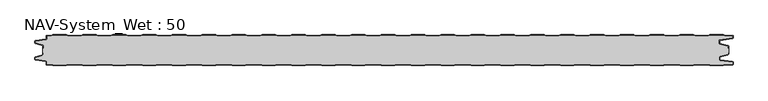
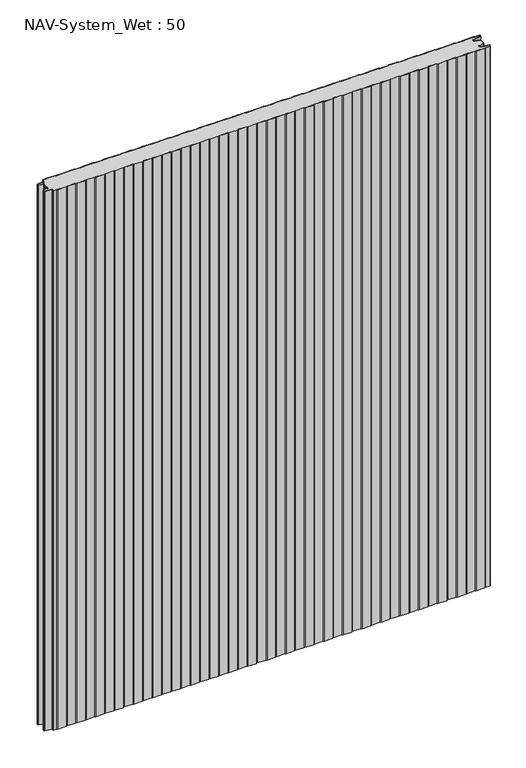
"""IFC4 building model written with IfcOpenShell, lengths in millimetres: plate geometry, NAV-System_Wet : 50."""

import ifcopenshell
import ifcopenshell.guid

model = None  # the IFC model being written
_history = None  # IfcOwnerHistory: only IFC2X3 demands one
_inside = {}  # id of a spatial element -> (the spatial element, [elements in it])
_under = {}  # id of a project, library or spatial element -> (it, [spatial elements below it])
_declared = {}  # id of a project -> (the project, [libraries it declares])
_typed = {}  # id of a type object -> (the type object, [elements of that type])
_made_of = {}  # id of a material, layer set ... -> (it, [elements and type objects made of it])


def new_model(schema):
    """Start an empty IFC model of exactly this schema.

    Asked for "IFC4X3", IfcOpenShell would pick the latest addendum, in which some entities
    have other attributes; the version numbers below select the first issue.
    IFC2X3 requires an IfcOwnerHistory on every rooted entity: one is made here for all.
    """
    global model, _history
    if schema == "IFC4X3":
        model = ifcopenshell.file(schema_version=(4, 3, 0, 0))
    else:
        model = ifcopenshell.file(schema=schema)
    _inside.clear()
    _under.clear()
    _declared.clear()
    _typed.clear()
    _made_of.clear()
    _history = None
    if model.schema == "IFC2X3":
        org = make("IfcOrganization", Name="unknown")
        user = make(
            "IfcPersonAndOrganization",
            ThePerson=make("IfcPerson", FamilyName="unknown"),
            TheOrganization=org,
        )
        app = make(
            "IfcApplication",
            ApplicationDeveloper=org,
            Version="unknown",
            ApplicationFullName="unknown",
            ApplicationIdentifier="unknown",
        )
        _history = make(
            "IfcOwnerHistory",
            OwningUser=user,
            OwningApplication=app,
            ChangeAction="ADDED",
            CreationDate=0,
        )
    return model


def make(cls, **values):
    """One entity of the class cls with the attributes given. An attribute that is None is left unset."""
    return model.create_entity(
        cls, **{name: value for name, value in values.items() if value is not None}
    )


def rooted(cls, **values):
    """An entity with a GlobalId (a new one), such as an element, a storey or a relation."""
    return make(cls, GlobalId=ifcopenshell.guid.new(), OwnerHistory=_history, **values)


def si_unit(unit_type, name, prefix=None):
    """IfcSIUnit, for example si_unit("LENGTHUNIT", "METRE", prefix="MILLI")."""
    return make("IfcSIUnit", UnitType=unit_type, Prefix=prefix, Name=name)


def assignment(units):
    """IfcUnitAssignment: the units of a project."""
    return None if units is None else make("IfcUnitAssignment", Units=units)


def point(xyz):
    """IfcCartesianPoint."""
    return None if xyz is None else make("IfcCartesianPoint", Coordinates=xyz)


def direction(xyz):
    """IfcDirection."""
    return None if xyz is None else make("IfcDirection", DirectionRatios=xyz)


def frame(location, z_axis=None, x_axis=None):
    """IfcAxis2Placement3D, a coordinate frame: its origin and axes. An axis left out is left unset."""
    return make(
        "IfcAxis2Placement3D",
        Location=point(location),
        Axis=direction(z_axis),
        RefDirection=direction(x_axis),
    )


def frame_2d(location, x_axis=None):
    """IfcAxis2Placement2D, a coordinate frame in the plane: its origin and x axis."""
    return make(
        "IfcAxis2Placement2D", Location=point(location), RefDirection=direction(x_axis)
    )


def origin():
    """The frame at (0, 0, 0) with its axes left unset."""
    return frame((0.0, 0.0, 0.0))


def origin_with_axes():
    """The frame at (0, 0, 0) with the z axis (0, 0, 1) and the x axis (1, 0, 0) written out."""
    return frame((0.0, 0.0, 0.0), z_axis=(0.0, 0.0, 1.0), x_axis=(1.0, 0.0, 0.0))


def place(relative_to, where):
    """IfcLocalPlacement: puts the frame where relative to a parent placement (None: the world)."""
    return make(
        "IfcLocalPlacement", PlacementRelTo=relative_to, RelativePlacement=where
    )


def context(
    kind, dimensions, precision=None, world=None, true_north=None, identifier=None
):
    """IfcGeometricRepresentationContext, for example the 3D "Model" context."""
    return make(
        "IfcGeometricRepresentationContext",
        ContextIdentifier=identifier,
        ContextType=kind,
        CoordinateSpaceDimension=dimensions,
        Precision=precision,
        WorldCoordinateSystem=world,
        TrueNorth=true_north,
    )


def project(units=None, contexts=None):
    """IfcProject with its units and contexts."""
    return rooted(
        "IfcProject",
        Name="project",
        RepresentationContexts=contexts,
        UnitsInContext=assignment(units),
    )


def spatial(cls, under=None, at=None, **own):
    """A site, building, storey or space (cls), placed at a placement, below another one or the project."""
    s = rooted(cls, ObjectPlacement=at, **own)
    if under is not None:
        _under.setdefault(under.id(), (under, []))[1].append(s)
    return s


def polyline(points):
    """IfcPolyline through the points."""
    return make("IfcPolyline", Points=[point(p) for p in points])


def circle_curve(where, radius):
    """IfcCircle in the frame where."""
    return make("IfcCircle", Position=where, Radius=radius)


def trimmed(basis, trim1, trim2, sense, master):
    """IfcTrimmedCurve: the piece of a basis curve between two trims."""
    return make(
        "IfcTrimmedCurve",
        BasisCurve=basis,
        Trim1=trim1,
        Trim2=trim2,
        SenseAgreement=sense,
        MasterRepresentation=master,
    )


def segment(curve, same_sense, transition):
    """IfcCompositeCurveSegment."""
    return make(
        "IfcCompositeCurveSegment",
        Transition=transition,
        SameSense=same_sense,
        ParentCurve=curve,
    )


def composite_curve(segments, self_intersect=None):
    """IfcCompositeCurve: segments joined end to end."""
    return make("IfcCompositeCurve", Segments=segments, SelfIntersect=self_intersect)


def outline(outer, holes=None, kind="AREA"):
    """IfcArbitraryClosedProfileDef: a profile drawn as a closed curve; with holes, ...WithVoids."""
    if holes is None:
        return make("IfcArbitraryClosedProfileDef", ProfileType=kind, OuterCurve=outer)
    return make(
        "IfcArbitraryProfileDefWithVoids",
        ProfileType=kind,
        OuterCurve=outer,
        InnerCurves=holes,
    )


def extrude(swept, where, along, depth):
    """IfcExtrudedAreaSolid: the profile swept, set in the frame where, extruded along a direction by depth."""
    return make(
        "IfcExtrudedAreaSolid",
        SweptArea=swept,
        Position=where,
        ExtrudedDirection=direction(along),
        Depth=depth,
    )


def shape(context_of_items, identifier, shape_type, items):
    """IfcShapeRepresentation: the items that make up one representation, for example the "Body"."""
    return make(
        "IfcShapeRepresentation",
        ContextOfItems=context_of_items,
        RepresentationIdentifier=identifier,
        RepresentationType=shape_type,
        Items=items,
    )


def source(mapping_origin, context_of_items, identifier, shape_type, items):
    """IfcRepresentationMap: a shape defined once, which mapped items show again and again."""
    return make(
        "IfcRepresentationMap",
        MappingOrigin=mapping_origin,
        MappedRepresentation=shape(context_of_items, identifier, shape_type, items),
    )


def transform(
    local_origin,
    x_axis=None,
    y_axis=None,
    z_axis=None,
    scale=None,
    scale2=None,
    scale3=None,
    uniform=True,
):
    """IfcCartesianTransformationOperator3D, or its non-uniform kind. x_axis, y_axis, z_axis: its Axis1, 2, 3."""
    if uniform:
        return make(
            "IfcCartesianTransformationOperator3D",
            Axis1=direction(x_axis),
            Axis2=direction(y_axis),
            LocalOrigin=point(local_origin),
            Scale=scale,
            Axis3=direction(z_axis),
        )
    return make(
        "IfcCartesianTransformationOperator3DnonUniform",
        Axis1=direction(x_axis),
        Axis2=direction(y_axis),
        LocalOrigin=point(local_origin),
        Scale=scale,
        Axis3=direction(z_axis),
        Scale2=scale2,
        Scale3=scale3,
    )


def mapped(mapping_source, mapping_target):
    """IfcMappedItem: shows the shape of a source again, moved by a transform."""
    return make(
        "IfcMappedItem", MappingSource=mapping_source, MappingTarget=mapping_target
    )


def made_of(thing, what):
    """Note that an element or type object is made of a material, layer set ...; save() writes the relation."""
    if what is not None:
        _made_of.setdefault(what.id(), (what, []))[1].append(thing)
    return thing


def element(
    cls,
    number,
    at=None,
    inside=None,
    cuts=None,
    type_object=None,
    material=None,
    context=None,
    identifier="Body",
    shape_type=None,
    held_by="IfcProductDefinitionShape",
    body=None,
    shapes=None,
    **own,
):
    """One element of the class cls, such as IfcWall. Its Tag is "e" and its number.

    at: its placement. inside: the storey or other place that contains it. cuts: it is an
    opening in that element (IfcRelVoidsElement). A single representation is given by context,
    identifier, shape_type and body (its items); several are given by shapes. held_by: the class
    of the entity that holds the representations. save() writes the other relations.
    """
    e = rooted(cls, Tag="e%d" % number, ObjectPlacement=at, **own)
    if body is not None:
        shapes = [shape(context, identifier, shape_type, body)]
    if shapes is not None:
        e.Representation = make(held_by, Representations=shapes)
    if inside is not None:
        _inside.setdefault(inside.id(), (inside, []))[1].append(e)
    if cuts is not None:
        rooted(
            "IfcRelVoidsElement", RelatingBuildingElement=cuts, RelatedOpeningElement=e
        )
    if type_object is not None:
        _typed.setdefault(type_object.id(), (type_object, []))[1].append(e)
    return made_of(e, material)


def aggregate(whole, parts):
    """IfcRelAggregates: a whole, such as a stair, and the parts it consists of."""
    return rooted("IfcRelAggregates", RelatingObject=whole, RelatedObjects=parts)


def save(model, path):
    """Write the relations noted so far, then the file.

    IfcRelAggregates (storeys below a building ...), IfcRelContainedInSpatialStructure (elements
    in a storey), IfcRelDefinesByType, IfcRelAssociatesMaterial and IfcRelDeclares: one each for
    every whole, place, type object, material and project.
    """
    for whole, parts in _under.values():
        aggregate(whole, parts)
    for where, things in _inside.values():
        rooted(
            "IfcRelContainedInSpatialStructure",
            RelatedElements=things,
            RelatingStructure=where,
        )
    for kind, things in _typed.values():
        rooted("IfcRelDefinesByType", RelatedObjects=things, RelatingType=kind)
    for what, things in _made_of.values():
        rooted("IfcRelAssociatesMaterial", RelatedObjects=things, RelatingMaterial=what)
    for by, libraries in _declared.values():
        rooted("IfcRelDeclares", RelatingContext=by, RelatedDefinitions=libraries)
    model.write(path)


def nav_system_wet_50_712da0a1(model_context):
    return source(origin(), model_context, "Body", "SweptSolid", [
        extrude(outline(composite_curve([segment(polyline([(430.3684327, -0.8), (427.3684327, 0.2), (405.3684327, 0.2), (402.3684327, -0.8), (380.3684327, -0.8), (377.3684327, 0.2), (355.3684327, 0.2), (352.3684327, -0.8), (330.3684327, -0.8), (327.3684327, 0.2), (305.3684327, 0.2), (302.3684327, -0.8), (280.3684327, -0.8), (277.3684327, 0.2), (255.3684327, 0.2), (252.3684327, -0.8), (230.3684327, -0.8), (227.3684327, 0.2), (205.3684327, 0.2), (202.3684327, -0.8), (180.3684327, -0.8), (177.3684327, 0.2), (155.3684327, 0.2), (152.3684327, -0.8), (130.3684327, -0.8), (127.3684327, 0.2), (105.3684327, 0.2), (102.3684327, -0.8), (80.3684327, -0.8), (77.3684327, 0.2), (55.3684327, 0.2), (52.3684327, -0.8), (30.3684327, -0.8), (27.3684327, 0.2), (5.3684327, 0.2), (2.3684327, -0.8), (-19.6315673, -0.8), (-22.6315673, 0.2), (-44.6315673, 0.2), (-47.6315673, -0.8), (-69.6315673, -0.8), (-72.6315673, 0.2), (-94.6315673, 0.2), (-97.6315673, -0.8), (-119.6315673, -0.8), (-122.6315673, 0.2), (-144.6315673, 0.2), (-147.6315673, -0.8), (-169.6315673, -0.8), (-172.6315673, 0.2), (-194.6315673, 0.2), (-197.6315673, -0.8), (-219.6315673, -0.8), (-222.6315673, 0.2), (-244.6315673, 0.2), (-247.6315673, -0.8), (-269.6315673, -0.8), (-272.6315673, 0.2), (-294.6315673, 0.2), (-297.6315673, -0.8), (-319.6315673, -0.8), (-322.6315673, 0.2), (-344.6315673, 0.2), (-347.6315673, -0.8), (-369.6315673, -0.8), (-372.6315673, 0.2), (-394.6315673, 0.2), (-397.6315673, -0.8), (-419.6315673, -0.8), (-422.6315673, 0.2), (-444.6315673, 0.2), (-447.6315673, -0.8), (-469.6315673, -0.8), (-472.6315673, 0.2), (-494.6315673, 0.2), (-497.6315673, -0.8), (-519.6315673, -0.8), (-522.6315673, 0.2), (-544.6315673, 0.2), (-547.6315673, -0.8), (-554.7, -0.8)]), True, "CONTINUOUS"), segment(trimmed(circle_curve(frame_2d((-554.7, -1.3)), 0.5), [point((-554.7, -0.8))], [point((-555.2, -1.3))], True, "CARTESIAN"), True, "CONTINUOUS"), segment(polyline([(-555.2, -1.3), (-555.2, -5.3964683)]), True, "CONTINUOUS"), segment(trimmed(circle_curve(frame_2d((-556.7, -5.3964683)), 1.5), [point((-555.2, -5.3964683))], [point((-556.4911207, -6.8818536))], False, "CARTESIAN"), True, "CONTINUOUS"), segment(polyline([(-556.4911207, -6.8818536), (-573.4352183, -9.2645825)]), True, "CONTINUOUS"), segment(trimmed(circle_curve(frame_2d((-573.3114909, -10.1444347)), 0.8885091), [point((-573.4352183, -9.2645825))], [point((-574.2, -10.1444347))], True, "CARTESIAN"), True, "CONTINUOUS"), segment(polyline([(-574.2, -10.1444347), (-574.2, -12.46995)]), True, "CONTINUOUS"), segment(trimmed(circle_curve(frame_2d((-573.6, -12.46995)), 0.6), [point((-574.2, -12.46995))], [point((-573.7552914, -13.0495055))], True, "CARTESIAN"), True, "CONTINUOUS"), segment(polyline([(-573.7552914, -13.0495055), (-562.3785632, -16.0978907)]), True, "CONTINUOUS"), segment(trimmed(circle_curve(frame_2d((-562.7667917, -17.5467794)), 1.5), [point((-562.3785632, -16.0978907))], [point((-561.2667917, -17.5467794))], False, "CARTESIAN"), True, "CONTINUOUS"), segment(polyline([(-561.2667917, -17.5467794), (-561.2667917, -21.0096505), (-562.0667917, -21.0096505), (-562.0667917, -17.5467794)]), True, "CONTINUOUS"), segment(trimmed(circle_curve(frame_2d((-562.7667917, -17.5467794)), 0.7), [point((-562.0667917, -17.5467794))], [point((-562.5856184, -16.8706313))], True, "CARTESIAN"), True, "CONTINUOUS"), segment(polyline([(-562.5856184, -16.8706313), (-574.0364648, -13.8023863)]), True, "CONTINUOUS"), segment(trimmed(circle_curve(frame_2d((-573.7, -12.5466827)), 1.3), [point((-574.0364648, -13.8023863))], [point((-575.0, -12.5466827))], False, "CARTESIAN"), True, "CONTINUOUS"), segment(polyline([(-575.0, -12.5466827), (-575.0, -9.8067363)]), True, "CONTINUOUS"), segment(trimmed(circle_curve(frame_2d((-573.7, -9.8067363)), 1.3), [point((-575.0, -9.8067363))], [point((-573.8810287, -8.5194024))], False, "CARTESIAN"), True, "CONTINUOUS"), segment(polyline([(-573.8810287, -8.5194024), (-556.602523, -6.0896481)]), True, "CONTINUOUS"), segment(trimmed(circle_curve(frame_2d((-556.7, -5.3964683)), 0.7), [point((-556.602523, -6.0896481))], [point((-556.0, -5.3964683))], True, "CARTESIAN"), True, "CONTINUOUS"), segment(polyline([(-556.0, -5.3964683), (-556.0, -1.3)]), True, "CONTINUOUS"), segment(trimmed(circle_curve(frame_2d((-554.7, -1.3)), 1.3), [point((-556.0, -1.3))], [point((-554.7, 0.0))], False, "CARTESIAN"), True, "CONTINUOUS"), segment(polyline([(-554.7, 0.0), (-547.7613895, 0.0), (-544.7613895, 1.0), (-522.5017452, 1.0), (-519.5017452, 0.0), (-497.7613895, 0.0), (-494.7613895, 1.0), (-472.5017452, 1.0), (-469.5017452, 0.0), (-447.7613895, 0.0), (-444.7613895, 1.0), (-422.5017452, 1.0), (-419.5017452, 0.0), (-397.7613895, 0.0), (-394.7613895, 1.0), (-372.5017452, 1.0), (-369.5017452, 0.0), (-347.7613895, 0.0), (-344.7613895, 1.0), (-322.5017452, 1.0), (-319.5017452, 0.0), (-297.7613895, 0.0), (-294.7613895, 1.0), (-272.5017452, 1.0), (-269.5017452, 0.0), (-247.7613895, 0.0), (-244.7613895, 1.0), (-222.5017452, 1.0), (-219.5017452, 0.0), (-197.7613895, 0.0), (-194.7613895, 1.0), (-172.5017452, 1.0), (-169.5017452, 0.0), (-147.7613895, 0.0), (-144.7613895, 1.0), (-122.5017452, 1.0), (-119.5017452, 0.0), (-97.7613895, 0.0), (-94.7613895, 1.0), (-72.5017452, 1.0), (-69.5017452, 0.0), (-47.7613895, 0.0), (-44.7613895, 1.0), (-22.5017452, 1.0), (-19.5017452, 0.0), (2.2386105, 0.0), (5.2386105, 1.0), (27.4982548, 1.0), (30.4982548, 0.0), (52.2386105, 0.0), (55.2386105, 1.0), (77.4982548, 1.0), (80.4982548, 0.0), (102.2386105, 0.0), (105.2386105, 1.0), (127.4982548, 1.0), (130.4982548, 0.0), (152.2386105, 0.0), (155.2386105, 1.0), (177.4982548, 1.0), (180.4982548, 0.0), (202.2386105, 0.0), (205.2386105, 1.0), (227.4982548, 1.0), (230.4982548, 0.0), (252.2386105, 0.0), (255.2386105, 1.0), (277.4982548, 1.0), (280.4982548, 0.0), (302.2386105, 0.0), (305.2386105, 1.0), (327.4982548, 1.0), (330.4982548, 0.0), (352.2386105, 0.0), (355.2386105, 1.0), (377.4982548, 1.0), (380.4982548, 0.0), (402.2386105, 0.0), (405.2386105, 1.0), (427.4982548, 1.0), (430.4982548, 0.0), (452.2386105, 0.0), (455.2386105, 1.0), (477.4982548, 1.0), (480.4982548, 0.0), (502.2386105, 0.0), (505.2386105, 1.0), (527.4982548, 1.0), (530.4982548, 0.0), (552.2386105, 0.0), (555.2386105, 1.0), (577.4982548, 1.0), (580.4982548, 0.0), (592.7, 0.0)]), True, "CONTINUOUS"), segment(trimmed(circle_curve(frame_2d((592.7, -1.3)), 1.3), [point((592.7, 0.0))], [point((594.0, -1.3))], False, "CARTESIAN"), True, "CONTINUOUS"), segment(polyline([(594.0, -1.3), (594.0, -4.3700191)]), True, "CONTINUOUS"), segment(trimmed(circle_curve(frame_2d((592.7, -4.3700191)), 1.3), [point((594.0, -4.3700191))], [point((592.8810287, -5.657353))], False, "CARTESIAN"), True, "CONTINUOUS"), segment(polyline([(592.8810287, -5.657353), (572.102523, -8.5792877)]), True, "CONTINUOUS"), segment(trimmed(circle_curve(frame_2d((572.2, -9.2724675)), 0.7), [point((572.102523, -8.5792877))], [point((571.5, -9.2724675))], True, "CARTESIAN"), True, "CONTINUOUS"), segment(polyline([(571.5, -9.2724675), (571.5, -13.0812756)]), True, "CONTINUOUS"), segment(trimmed(circle_curve(frame_2d((572.2, -13.0812756)), 0.7), [point((571.5, -13.0812756))], [point((572.0188267, -13.7574237))], True, "CARTESIAN"), True, "CONTINUOUS"), segment(polyline([(572.0188267, -13.7574237), (585.4205101, -17.3483939)]), True, "CONTINUOUS"), segment(trimmed(circle_curve(frame_2d((585.0840453, -18.6040975)), 1.3), [point((585.4205101, -17.3483939))], [point((586.3840453, -18.6040975))], False, "CARTESIAN"), True, "CONTINUOUS"), segment(polyline([(586.3840453, -18.6040975), (586.3840453, -21.0096505), (585.5840453, -21.0096505), (585.5840453, -18.6808302)]), True, "CONTINUOUS"), segment(trimmed(circle_curve(frame_2d((584.9840453, -18.6808302)), 0.6), [point((585.5840453, -18.6808302))], [point((585.1393367, -18.1012747))], True, "CARTESIAN"), True, "CONTINUOUS"), segment(polyline([(585.1393367, -18.1012747), (571.8117714, -14.5301644)]), True, "CONTINUOUS"), segment(trimmed(circle_curve(frame_2d((572.2, -13.0812756)), 1.5), [point((571.8117714, -14.5301644))], [point((570.7, -13.0812756))], False, "CARTESIAN"), True, "CONTINUOUS"), segment(polyline([(570.7, -13.0812756), (570.7, -9.2724675)]), True, "CONTINUOUS"), segment(trimmed(circle_curve(frame_2d((572.2, -9.2724675)), 1.5), [point((570.7, -9.2724675))], [point((571.9911207, -7.7870822))], False, "CARTESIAN"), True, "CONTINUOUS"), segment(polyline([(571.9911207, -7.7870822), (592.6835517, -4.8772516)]), True, "CONTINUOUS"), segment(trimmed(circle_curve(frame_2d((592.6, -4.2830975)), 0.6), [point((592.6835517, -4.8772516))], [point((593.2, -4.2830975))], True, "CARTESIAN"), True, "CONTINUOUS"), segment(polyline([(593.2, -4.2830975), (593.2, -1.3)]), True, "CONTINUOUS"), segment(trimmed(circle_curve(frame_2d((592.7, -1.3)), 0.5), [point((593.2, -1.3))], [point((592.7, -0.8))], True, "CARTESIAN"), True, "CONTINUOUS"), segment(polyline([(592.7, -0.8), (580.3684327, -0.8), (577.3684327, 0.2), (555.3684327, 0.2), (552.3684327, -0.8), (530.3684327, -0.8), (527.3684327, 0.2), (505.3684327, 0.2), (502.3684327, -0.8), (480.3684327, -0.8), (477.3684327, 0.2), (455.3684327, 0.2), (452.3684327, -0.8), (430.3684327, -0.8)]), True, "CONTINUOUS")], self_intersect=False)), origin_with_axes(), (0.0, 0.0, 1.0), 1500.0),
        extrude(outline(composite_curve([segment(polyline([(430.3684327, -0.8), (452.3684327, -0.8), (455.3684327, 0.2), (477.3684327, 0.2), (480.3684327, -0.8), (502.3684327, -0.8), (505.3684327, 0.2), (527.3684327, 0.2), (530.3684327, -0.8), (552.3684327, -0.8), (555.3684327, 0.2), (577.3684327, 0.2), (580.3684327, -0.8), (592.7, -0.8)]), True, "CONTINUOUS"), segment(trimmed(circle_curve(frame_2d((592.7, -1.3)), 0.5), [point((592.7, -0.8))], [point((593.2, -1.3))], False, "CARTESIAN"), True, "CONTINUOUS"), segment(polyline([(593.2, -1.3), (593.2, -4.2830975)]), True, "CONTINUOUS"), segment(trimmed(circle_curve(frame_2d((592.6, -4.2830975)), 0.6), [point((593.2, -4.2830975))], [point((592.6835517, -4.8772516))], False, "CARTESIAN"), True, "CONTINUOUS"), segment(polyline([(592.6835517, -4.8772516), (571.9911207, -7.7870822)]), True, "CONTINUOUS"), segment(trimmed(circle_curve(frame_2d((572.2, -9.2724675)), 1.5), [point((571.9911207, -7.7870822))], [point((570.7, -9.2724675))], True, "CARTESIAN"), True, "CONTINUOUS"), segment(polyline([(570.7, -9.2724675), (570.7, -13.0812756)]), True, "CONTINUOUS"), segment(trimmed(circle_curve(frame_2d((572.2, -13.0812756)), 1.5), [point((570.7, -13.0812756))], [point((571.8117714, -14.5301644))], True, "CARTESIAN"), True, "CONTINUOUS"), segment(polyline([(571.8117714, -14.5301644), (585.1393367, -18.1012747)]), True, "CONTINUOUS"), segment(trimmed(circle_curve(frame_2d((584.9840453, -18.6808302)), 0.6), [point((585.1393367, -18.1012747))], [point((585.5840453, -18.6808302))], False, "CARTESIAN"), True, "CONTINUOUS"), segment(polyline([(585.5840453, -18.6808302), (585.5840453, -21.0096505), (586.3840453, -21.0096505), (586.3840453, -28.9903495), (585.5840453, -28.9903495), (585.5840453, -31.3191698)]), True, "CONTINUOUS"), segment(trimmed(circle_curve(frame_2d((584.9840453, -31.3191698)), 0.6), [point((585.5840453, -31.3191698))], [point((585.1393367, -31.8987253))], False, "CARTESIAN"), True, "CONTINUOUS"), segment(polyline([(585.1393367, -31.8987253), (571.8117714, -35.4698356)]), True, "CONTINUOUS"), segment(trimmed(circle_curve(frame_2d((572.2, -36.9187244)), 1.5), [point((571.8117714, -35.4698356))], [point((570.7, -36.9187244))], True, "CARTESIAN"), True, "CONTINUOUS"), segment(polyline([(570.7, -36.9187244), (570.7, -40.7275325)]), True, "CONTINUOUS"), segment(trimmed(circle_curve(frame_2d((572.2, -40.7275325)), 1.5), [point((570.7, -40.7275325))], [point((571.9911207, -42.2129178))], True, "CARTESIAN"), True, "CONTINUOUS"), segment(polyline([(571.9911207, -42.2129178), (592.6835517, -45.1227484)]), True, "CONTINUOUS"), segment(trimmed(circle_curve(frame_2d((592.6, -45.7169025)), 0.6), [point((592.6835517, -45.1227484))], [point((593.2, -45.7169025))], False, "CARTESIAN"), True, "CONTINUOUS"), segment(polyline([(593.2, -45.7169025), (593.2, -48.7)]), True, "CONTINUOUS"), segment(trimmed(circle_curve(frame_2d((592.7, -48.7)), 0.5), [point((593.2, -48.7))], [point((592.7, -49.2))], False, "CARTESIAN"), True, "CONTINUOUS"), segment(polyline([(592.7, -49.2), (580.3684327, -49.2), (577.3684327, -50.2), (555.3684327, -50.2), (552.3684327, -49.2), (530.3684327, -49.2), (527.3684327, -50.2), (505.3684327, -50.2), (502.3684327, -49.2), (480.3684327, -49.2), (477.3684327, -50.2), (455.3684327, -50.2), (452.3684327, -49.2), (430.3684327, -49.2), (427.3684327, -50.2), (405.3684327, -50.2), (402.3684327, -49.2), (380.3684327, -49.2), (377.3684327, -50.2), (355.3684327, -50.2), (352.3684327, -49.2), (330.3684327, -49.2), (327.3684327, -50.2), (305.3684327, -50.2), (302.3684327, -49.2), (280.3684327, -49.2), (277.3684327, -50.2), (255.3684327, -50.2), (252.3684327, -49.2), (230.3684327, -49.2), (227.3684327, -50.2), (205.3684327, -50.2), (202.3684327, -49.2), (180.3684327, -49.2), (177.3684327, -50.2), (155.3684327, -50.2), (152.3684327, -49.2), (130.3684327, -49.2), (127.3684327, -50.2), (105.3684327, -50.2), (102.3684327, -49.2), (80.3684327, -49.2), (77.3684327, -50.2), (55.3684327, -50.2), (52.3684327, -49.2), (30.3684327, -49.2), (27.3684327, -50.2), (5.3684327, -50.2), (2.3684327, -49.2), (-19.6315673, -49.2), (-22.6315673, -50.2), (-44.6315673, -50.2), (-47.6315673, -49.2), (-69.6315673, -49.2), (-72.6315673, -50.2), (-94.6315673, -50.2), (-97.6315673, -49.2), (-119.6315673, -49.2), (-122.6315673, -50.2), (-144.6315673, -50.2), (-147.6315673, -49.2), (-169.6315673, -49.2), (-172.6315673, -50.2), (-194.6315673, -50.2), (-197.6315673, -49.2), (-219.6315673, -49.2), (-222.6315673, -50.2), (-244.6315673, -50.2), (-247.6315673, -49.2), (-269.6315673, -49.2), (-272.6315673, -50.2), (-294.6315673, -50.2), (-297.6315673, -49.2), (-319.6315673, -49.2), (-322.6315673, -50.2), (-344.6315673, -50.2), (-347.6315673, -49.2), (-369.6315673, -49.2), (-372.6315673, -50.2), (-394.6315673, -50.2), (-397.6315673, -49.2), (-419.6315673, -49.2), (-422.6315673, -50.2), (-444.6315673, -50.2), (-447.6315673, -49.2), (-469.6315673, -49.2), (-472.6315673, -50.2), (-494.6315673, -50.2), (-497.6315673, -49.2), (-519.6315673, -49.2), (-522.6315673, -50.2), (-544.6315673, -50.2), (-547.6315673, -49.2), (-554.7, -49.2)]), True, "CONTINUOUS"), segment(trimmed(circle_curve(frame_2d((-554.7, -48.7)), 0.5), [point((-554.7, -49.2))], [point((-555.2, -48.7))], False, "CARTESIAN"), True, "CONTINUOUS"), segment(polyline([(-555.2, -48.7), (-555.2, -44.6035317)]), True, "CONTINUOUS"), segment(trimmed(circle_curve(frame_2d((-556.7, -44.6035317)), 1.5), [point((-555.2, -44.6035317))], [point((-556.4911207, -43.1181464))], True, "CARTESIAN"), True, "CONTINUOUS"), segment(polyline([(-556.4911207, -43.1181464), (-573.4352183, -40.7354175)]), True, "CONTINUOUS"), segment(trimmed(circle_curve(frame_2d((-573.3114909, -39.8555653)), 0.8885091), [point((-573.4352183, -40.7354175))], [point((-574.2, -39.8555653))], False, "CARTESIAN"), True, "CONTINUOUS"), segment(polyline([(-574.2, -39.8555653), (-574.2, -37.53005)]), True, "CONTINUOUS"), segment(trimmed(circle_curve(frame_2d((-573.6, -37.53005)), 0.6), [point((-574.2, -37.53005))], [point((-573.7552914, -36.9504945))], False, "CARTESIAN"), True, "CONTINUOUS"), segment(polyline([(-573.7552914, -36.9504945), (-562.3785632, -33.9021093)]), True, "CONTINUOUS"), segment(trimmed(circle_curve(frame_2d((-562.7667917, -32.4532206)), 1.5), [point((-562.3785632, -33.9021093))], [point((-561.2667917, -32.4532206))], True, "CARTESIAN"), True, "CONTINUOUS"), segment(polyline([(-561.2667917, -32.4532206), (-561.2667917, -28.9903495), (-562.0667917, -28.9903495), (-562.0667917, -21.0096505), (-561.2667917, -21.0096505), (-561.2667917, -17.5467794)]), True, "CONTINUOUS"), segment(trimmed(circle_curve(frame_2d((-562.7667917, -17.5467794)), 1.5), [point((-561.2667917, -17.5467794))], [point((-562.3785632, -16.0978907))], True, "CARTESIAN"), True, "CONTINUOUS"), segment(polyline([(-562.3785632, -16.0978907), (-573.7552914, -13.0495055)]), True, "CONTINUOUS"), segment(trimmed(circle_curve(frame_2d((-573.6, -12.46995)), 0.6), [point((-573.7552914, -13.0495055))], [point((-574.2, -12.46995))], False, "CARTESIAN"), True, "CONTINUOUS"), segment(polyline([(-574.2, -12.46995), (-574.2, -10.1444347)]), True, "CONTINUOUS"), segment(trimmed(circle_curve(frame_2d((-573.3114909, -10.1444347)), 0.8885091), [point((-574.2, -10.1444347))], [point((-573.4352183, -9.2645825))], False, "CARTESIAN"), True, "CONTINUOUS"), segment(polyline([(-573.4352183, -9.2645825), (-556.4911207, -6.8818536)]), True, "CONTINUOUS"), segment(trimmed(circle_curve(frame_2d((-556.7, -5.3964683)), 1.5), [point((-556.4911207, -6.8818536))], [point((-555.2, -5.3964683))], True, "CARTESIAN"), True, "CONTINUOUS"), segment(polyline([(-555.2, -5.3964683), (-555.2, -1.3)]), True, "CONTINUOUS"), segment(trimmed(circle_curve(frame_2d((-554.7, -1.3)), 0.5), [point((-555.2, -1.3))], [point((-554.7, -0.8))], False, "CARTESIAN"), True, "CONTINUOUS"), segment(polyline([(-554.7, -0.8), (-547.6315673, -0.8), (-544.6315673, 0.2), (-522.6315673, 0.2), (-519.6315673, -0.8), (-497.6315673, -0.8), (-494.6315673, 0.2), (-472.6315673, 0.2), (-469.6315673, -0.8), (-447.6315673, -0.8), (-444.6315673, 0.2), (-422.6315673, 0.2), (-419.6315673, -0.8), (-397.6315673, -0.8), (-394.6315673, 0.2), (-372.6315673, 0.2), (-369.6315673, -0.8), (-347.6315673, -0.8), (-344.6315673, 0.2), (-322.6315673, 0.2), (-319.6315673, -0.8), (-297.6315673, -0.8), (-294.6315673, 0.2), (-272.6315673, 0.2), (-269.6315673, -0.8), (-247.6315673, -0.8), (-244.6315673, 0.2), (-222.6315673, 0.2), (-219.6315673, -0.8), (-197.6315673, -0.8), (-194.6315673, 0.2), (-172.6315673, 0.2), (-169.6315673, -0.8), (-147.6315673, -0.8), (-144.6315673, 0.2), (-122.6315673, 0.2), (-119.6315673, -0.8), (-97.6315673, -0.8), (-94.6315673, 0.2), (-72.6315673, 0.2), (-69.6315673, -0.8), (-47.6315673, -0.8), (-44.6315673, 0.2), (-22.6315673, 0.2), (-19.6315673, -0.8), (2.3684327, -0.8), (5.3684327, 0.2), (27.3684327, 0.2), (30.3684327, -0.8), (52.3684327, -0.8), (55.3684327, 0.2), (77.3684327, 0.2), (80.3684327, -0.8), (102.3684327, -0.8), (105.3684327, 0.2), (127.3684327, 0.2), (130.3684327, -0.8), (152.3684327, -0.8), (155.3684327, 0.2), (177.3684327, 0.2), (180.3684327, -0.8), (202.3684327, -0.8), (205.3684327, 0.2), (227.3684327, 0.2), (230.3684327, -0.8), (252.3684327, -0.8), (255.3684327, 0.2), (277.3684327, 0.2), (280.3684327, -0.8), (302.3684327, -0.8), (305.3684327, 0.2), (327.3684327, 0.2), (330.3684327, -0.8), (352.3684327, -0.8), (355.3684327, 0.2), (377.3684327, 0.2), (380.3684327, -0.8), (402.3684327, -0.8), (405.3684327, 0.2), (427.3684327, 0.2), (430.3684327, -0.8)]), True, "CONTINUOUS")], self_intersect=False)), origin_with_axes(), (0.0, 0.0, 1.0), 1500.0),
        extrude(outline(composite_curve([segment(polyline([(430.3684327, -49.2), (452.3684327, -49.2), (455.3684327, -50.2), (477.3684327, -50.2), (480.3684327, -49.2), (502.3684327, -49.2), (505.3684327, -50.2), (527.3684327, -50.2), (530.3684327, -49.2), (552.3684327, -49.2), (555.3684327, -50.2), (577.3684327, -50.2), (580.3684327, -49.2), (592.7, -49.2)]), True, "CONTINUOUS"), segment(trimmed(circle_curve(frame_2d((592.7, -48.7)), 0.5), [point((592.7, -49.2))], [point((593.2, -48.7))], True, "CARTESIAN"), True, "CONTINUOUS"), segment(polyline([(593.2, -48.7), (593.2, -45.7169025)]), True, "CONTINUOUS"), segment(trimmed(circle_curve(frame_2d((592.6, -45.7169025)), 0.6), [point((593.2, -45.7169025))], [point((592.6835517, -45.1227484))], True, "CARTESIAN"), True, "CONTINUOUS"), segment(polyline([(592.6835517, -45.1227484), (571.9911207, -42.2129178)]), True, "CONTINUOUS"), segment(trimmed(circle_curve(frame_2d((572.2, -40.7275325)), 1.5), [point((571.9911207, -42.2129178))], [point((570.7, -40.7275325))], False, "CARTESIAN"), True, "CONTINUOUS"), segment(polyline([(570.7, -40.7275325), (570.7, -36.9187244)]), True, "CONTINUOUS"), segment(trimmed(circle_curve(frame_2d((572.2, -36.9187244)), 1.5), [point((570.7, -36.9187244))], [point((571.8117714, -35.4698356))], False, "CARTESIAN"), True, "CONTINUOUS"), segment(polyline([(571.8117714, -35.4698356), (585.1393367, -31.8987253)]), True, "CONTINUOUS"), segment(trimmed(circle_curve(frame_2d((584.9840453, -31.3191698)), 0.6), [point((585.1393367, -31.8987253))], [point((585.5840453, -31.3191698))], True, "CARTESIAN"), True, "CONTINUOUS"), segment(polyline([(585.5840453, -31.3191698), (585.5840453, -28.9903495), (586.3840453, -28.9903495), (586.3840453, -31.3959025)]), True, "CONTINUOUS"), segment(trimmed(circle_curve(frame_2d((585.0840453, -31.3959025)), 1.3), [point((586.3840453, -31.3959025))], [point((585.4205101, -32.6516061))], False, "CARTESIAN"), True, "CONTINUOUS"), segment(polyline([(585.4205101, -32.6516061), (572.0188267, -36.2425763)]), True, "CONTINUOUS"), segment(trimmed(circle_curve(frame_2d((572.2, -36.9187244)), 0.7), [point((572.0188267, -36.2425763))], [point((571.5, -36.9187244))], True, "CARTESIAN"), True, "CONTINUOUS"), segment(polyline([(571.5, -36.9187244), (571.5, -40.7275325)]), True, "CONTINUOUS"), segment(trimmed(circle_curve(frame_2d((572.2, -40.7275325)), 0.7), [point((571.5, -40.7275325))], [point((572.102523, -41.4207123))], True, "CARTESIAN"), True, "CONTINUOUS"), segment(polyline([(572.102523, -41.4207123), (592.8810287, -44.342647)]), True, "CONTINUOUS"), segment(trimmed(circle_curve(frame_2d((592.7, -45.6299809)), 1.3), [point((592.8810287, -44.342647))], [point((594.0, -45.6299809))], False, "CARTESIAN"), True, "CONTINUOUS"), segment(polyline([(594.0, -45.6299809), (594.0, -48.7)]), True, "CONTINUOUS"), segment(trimmed(circle_curve(frame_2d((592.7, -48.7)), 1.3), [point((594.0, -48.7))], [point((592.7, -50.0))], False, "CARTESIAN"), True, "CONTINUOUS"), segment(polyline([(592.7, -50.0), (580.4982548, -50.0), (577.4982548, -51.0), (555.2386105, -51.0), (552.2386105, -50.0), (530.4982548, -50.0), (527.4982548, -51.0), (505.2386105, -51.0), (502.2386105, -50.0), (480.4982548, -50.0), (477.4982548, -51.0), (455.2386105, -51.0), (452.2386105, -50.0), (430.4982548, -50.0), (427.4982548, -51.0), (405.2386105, -51.0), (402.2386105, -50.0), (380.4982548, -50.0), (377.4982548, -51.0), (355.2386105, -51.0), (352.2386105, -50.0), (330.4982548, -50.0), (327.4982548, -51.0), (305.2386105, -51.0), (302.2386105, -50.0), (280.4982548, -50.0), (277.4982548, -51.0), (255.2386105, -51.0), (252.2386105, -50.0), (230.4982548, -50.0), (227.4982548, -51.0), (205.2386105, -51.0), (202.2386105, -50.0), (180.4982548, -50.0), (177.4982548, -51.0), (155.2386105, -51.0), (152.2386105, -50.0), (130.4982548, -50.0), (127.4982548, -51.0), (105.2386105, -51.0), (102.2386105, -50.0), (80.4982548, -50.0), (77.4982548, -51.0), (55.2386105, -51.0), (52.2386105, -50.0), (30.4982548, -50.0), (27.4982548, -51.0), (5.2386105, -51.0), (2.2386105, -50.0), (-19.5017452, -50.0), (-22.5017452, -51.0), (-44.7613895, -51.0), (-47.7613895, -50.0), (-69.5017452, -50.0), (-72.5017452, -51.0), (-94.7613895, -51.0), (-97.7613895, -50.0), (-119.5017452, -50.0), (-122.5017452, -51.0), (-144.7613895, -51.0), (-147.7613895, -50.0), (-169.5017452, -50.0), (-172.5017452, -51.0), (-194.7613895, -51.0), (-197.7613895, -50.0), (-219.5017452, -50.0), (-222.5017452, -51.0), (-244.7613895, -51.0), (-247.7613895, -50.0), (-269.5017452, -50.0), (-272.5017452, -51.0), (-294.7613895, -51.0), (-297.7613895, -50.0), (-319.5017452, -50.0), (-322.5017452, -51.0), (-344.7613895, -51.0), (-347.7613895, -50.0), (-369.5017452, -50.0), (-372.5017452, -51.0), (-394.7613895, -51.0), (-397.7613895, -50.0), (-419.5017452, -50.0), (-422.5017452, -51.0), (-444.7613895, -51.0), (-447.7613895, -50.0), (-469.5017452, -50.0), (-472.5017452, -51.0), (-494.7613895, -51.0), (-497.7613895, -50.0), (-519.5017452, -50.0), (-522.5017452, -51.0), (-544.7613895, -51.0), (-547.7613895, -50.0), (-554.7, -50.0)]), True, "CONTINUOUS"), segment(trimmed(circle_curve(frame_2d((-554.7, -48.7)), 1.3), [point((-554.7, -50.0))], [point((-556.0, -48.7))], False, "CARTESIAN"), True, "CONTINUOUS"), segment(polyline([(-556.0, -48.7), (-556.0, -44.6035317)]), True, "CONTINUOUS"), segment(trimmed(circle_curve(frame_2d((-556.7, -44.6035317)), 0.7), [point((-556.0, -44.6035317))], [point((-556.602523, -43.9103519))], True, "CARTESIAN"), True, "CONTINUOUS"), segment(polyline([(-556.602523, -43.9103519), (-573.8810287, -41.4805976)]), True, "CONTINUOUS"), segment(trimmed(circle_curve(frame_2d((-573.7, -40.1932637)), 1.3), [point((-573.8810287, -41.4805976))], [point((-575.0, -40.1932637))], False, "CARTESIAN"), True, "CONTINUOUS"), segment(polyline([(-575.0, -40.1932637), (-575.0, -37.4533173)]), True, "CONTINUOUS"), segment(trimmed(circle_curve(frame_2d((-573.7, -37.4533173)), 1.3), [point((-575.0, -37.4533173))], [point((-574.0364648, -36.1976137))], False, "CARTESIAN"), True, "CONTINUOUS"), segment(polyline([(-574.0364648, -36.1976137), (-562.5856184, -33.1293687)]), True, "CONTINUOUS"), segment(trimmed(circle_curve(frame_2d((-562.7667917, -32.4532206)), 0.7), [point((-562.5856184, -33.1293687))], [point((-562.0667917, -32.4532206))], True, "CARTESIAN"), True, "CONTINUOUS"), segment(polyline([(-562.0667917, -32.4532206), (-562.0667917, -28.9903495), (-561.2667917, -28.9903495), (-561.2667917, -32.4532206)]), True, "CONTINUOUS"), segment(trimmed(circle_curve(frame_2d((-562.7667917, -32.4532206)), 1.5), [point((-561.2667917, -32.4532206))], [point((-562.3785632, -33.9021093))], False, "CARTESIAN"), True, "CONTINUOUS"), segment(polyline([(-562.3785632, -33.9021093), (-573.7552914, -36.9504945)]), True, "CONTINUOUS"), segment(trimmed(circle_curve(frame_2d((-573.6, -37.53005)), 0.6), [point((-573.7552914, -36.9504945))], [point((-574.2, -37.53005))], True, "CARTESIAN"), True, "CONTINUOUS"), segment(polyline([(-574.2, -37.53005), (-574.2, -39.8555653)]), True, "CONTINUOUS"), segment(trimmed(circle_curve(frame_2d((-573.3114909, -39.8555653)), 0.8885091), [point((-574.2, -39.8555653))], [point((-573.4352183, -40.7354175))], True, "CARTESIAN"), True, "CONTINUOUS"), segment(polyline([(-573.4352183, -40.7354175), (-556.4911207, -43.1181464)]), True, "CONTINUOUS"), segment(trimmed(circle_curve(frame_2d((-556.7, -44.6035317)), 1.5), [point((-556.4911207, -43.1181464))], [point((-555.2, -44.6035317))], False, "CARTESIAN"), True, "CONTINUOUS"), segment(polyline([(-555.2, -44.6035317), (-555.2, -48.7)]), True, "CONTINUOUS"), segment(trimmed(circle_curve(frame_2d((-554.7, -48.7)), 0.5), [point((-555.2, -48.7))], [point((-554.7, -49.2))], True, "CARTESIAN"), True, "CONTINUOUS"), segment(polyline([(-554.7, -49.2), (-547.6315673, -49.2), (-544.6315673, -50.2), (-522.6315673, -50.2), (-519.6315673, -49.2), (-497.6315673, -49.2), (-494.6315673, -50.2), (-472.6315673, -50.2), (-469.6315673, -49.2), (-447.6315673, -49.2), (-444.6315673, -50.2), (-422.6315673, -50.2), (-419.6315673, -49.2), (-397.6315673, -49.2), (-394.6315673, -50.2), (-372.6315673, -50.2), (-369.6315673, -49.2), (-347.6315673, -49.2), (-344.6315673, -50.2), (-322.6315673, -50.2), (-319.6315673, -49.2), (-297.6315673, -49.2), (-294.6315673, -50.2), (-272.6315673, -50.2), (-269.6315673, -49.2), (-247.6315673, -49.2), (-244.6315673, -50.2), (-222.6315673, -50.2), (-219.6315673, -49.2), (-197.6315673, -49.2), (-194.6315673, -50.2), (-172.6315673, -50.2), (-169.6315673, -49.2), (-147.6315673, -49.2), (-144.6315673, -50.2), (-122.6315673, -50.2), (-119.6315673, -49.2), (-97.6315673, -49.2), (-94.6315673, -50.2), (-72.6315673, -50.2), (-69.6315673, -49.2), (-47.6315673, -49.2), (-44.6315673, -50.2), (-22.6315673, -50.2), (-19.6315673, -49.2), (2.3684327, -49.2), (5.3684327, -50.2), (27.3684327, -50.2), (30.3684327, -49.2), (52.3684327, -49.2), (55.3684327, -50.2), (77.3684327, -50.2), (80.3684327, -49.2), (102.3684327, -49.2), (105.3684327, -50.2), (127.3684327, -50.2), (130.3684327, -49.2), (152.3684327, -49.2), (155.3684327, -50.2), (177.3684327, -50.2), (180.3684327, -49.2), (202.3684327, -49.2), (205.3684327, -50.2), (227.3684327, -50.2), (230.3684327, -49.2), (252.3684327, -49.2), (255.3684327, -50.2), (277.3684327, -50.2), (280.3684327, -49.2), (302.3684327, -49.2), (305.3684327, -50.2), (327.3684327, -50.2), (330.3684327, -49.2), (352.3684327, -49.2), (355.3684327, -50.2), (377.3684327, -50.2), (380.3684327, -49.2), (402.3684327, -49.2), (405.3684327, -50.2), (427.3684327, -50.2), (430.3684327, -49.2)]), True, "CONTINUOUS")], self_intersect=False)), origin_with_axes(), (0.0, 0.0, 1.0), 1500.0),
    ])


if __name__ == "__main__":
    model = new_model("IFC4")
    model_context = context("Model", 3, world=origin())
    ifc_project = project(units=[si_unit("LENGTHUNIT", "METRE", prefix="MILLI")], contexts=[model_context])
    site = spatial("IfcSite", under=ifc_project)
    building = spatial("IfcBuilding", under=site)
    placement = place(None, origin())
    nav_system_wet_50_shape = nav_system_wet_50_712da0a1(model_context)
    element("IfcPlate", 1, ObjectType="NAV-System_Wet : 50", at=placement, inside=building, context=model_context, shape_type="MappedRepresentation", body=[
        mapped(nav_system_wet_50_shape, transform((0.0, 0.0, 0.0), x_axis=(1.0, 0.0, 0.0), y_axis=(0.0, 1.0, 0.0), z_axis=(0.0, 0.0, 1.0))),
    ])
    save(model, "model.ifc")
